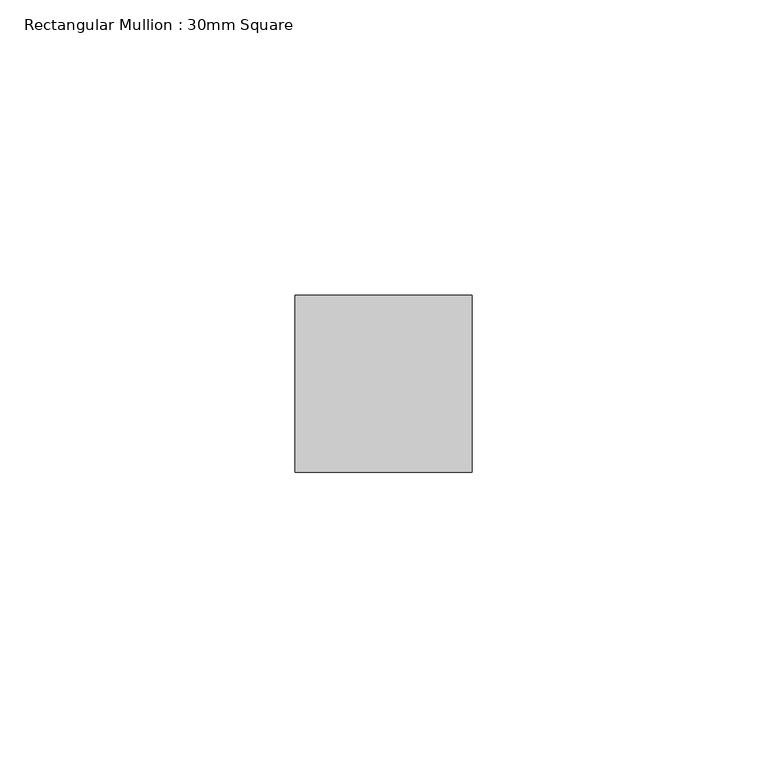
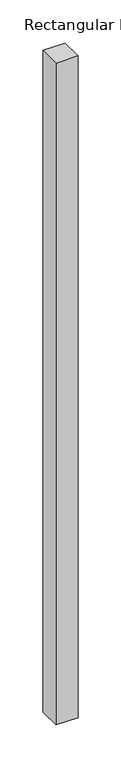
"""IFC4 building model written with IfcOpenShell, lengths in millimetres: member geometry, Rectangular Mullion : 30mm Square."""

from ifc_helpers import new_model, si_unit, frame, origin, place, context, project, spatial, polyline, outline, extrude, source, transform, mapped, element, save


def rectangular_mullion_30mm_square_a750b3fe(model_context):
    return source(origin(), model_context, "Body", "SweptSolid", [
        extrude(outline(polyline([(0.0, 15.0), (0.0, -15.0), (-30.0, -15.0), (-30.0, 15.0), (0.0, 15.0)])), frame((0.0, 0.0, -937.2613633), z_axis=(0.0, 0.0, 1.0), x_axis=(1.0, 0.0, 0.0)), (0.0, 0.0, 1.0), 937.2613633),
    ])


if __name__ == "__main__":
    model = new_model("IFC4")
    model_context = context("Model", 3, world=origin())
    ifc_project = project(units=[si_unit("LENGTHUNIT", "METRE", prefix="MILLI")], contexts=[model_context])
    site = spatial("IfcSite", under=ifc_project)
    building = spatial("IfcBuilding", under=site)
    placement = place(None, origin())
    rectangular_mullion_30mm_square_shape = rectangular_mullion_30mm_square_a750b3fe(model_context)
    element("IfcMember", 1, ObjectType="Rectangular Mullion : 30mm Square", at=placement, inside=building, context=model_context, shape_type="MappedRepresentation", body=[
        mapped(rectangular_mullion_30mm_square_shape, transform((0.0, 0.0, 0.0), x_axis=(1.0, 0.0, 0.0), y_axis=(0.0, 1.0, 0.0), z_axis=(0.0, 0.0, 1.0))),
    ])
    save(model, "model.ifc")
